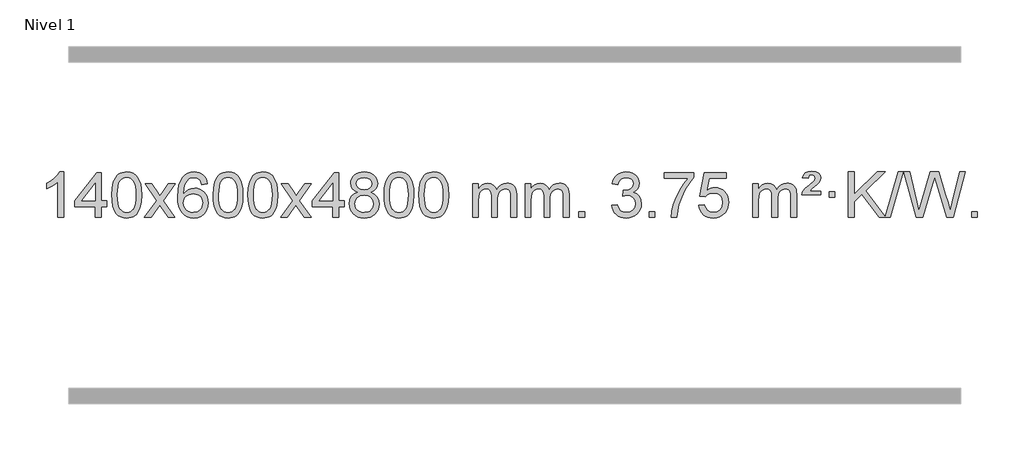
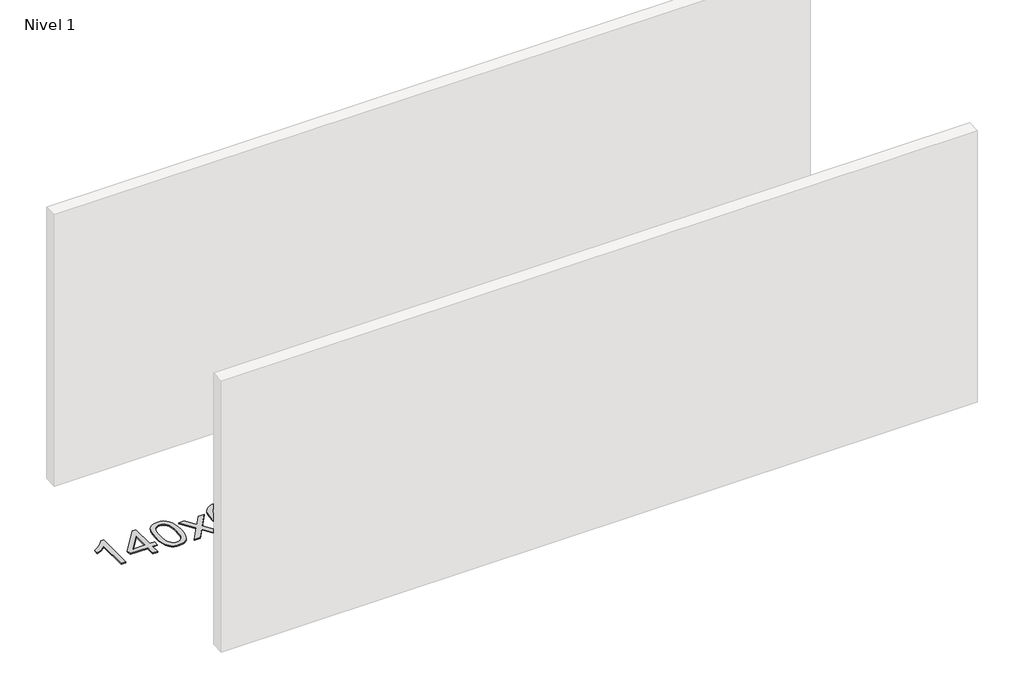
# One storey, part 11 of 25: 1 proxy.
"""IFC4 building model written with IfcOpenShell, lengths in millimetres."""

from ifc_helpers import new_model, si_unit, origin, origin_with_axes, place, context, project, spatial, polyline, outline, extrude, element, save

model = new_model("IFC4")

# Units and contexts
model_context = context("Model", 3, world=origin())
ifc_project = project(units=[si_unit("LENGTHUNIT", "METRE", prefix="MILLI")], contexts=[model_context])

# Site, building, storey
site = spatial("IfcSite", under=ifc_project)
building = spatial("IfcBuilding", under=site)
storey = spatial("IfcBuildingStorey", under=building, Name="Nivel 1", Elevation=0.0)

# Proxy
placement = place(None, origin())
element("IfcBuildingElementProxy", 1, Name="Texto de modelo 1", ObjectType="Texto de modelo 1", at=placement, inside=storey, context=model_context, shape_type="SweptSolid", body=[
    extrude(outline(polyline([(-275.4615788, -36755.579453), (-325.6897338, -36755.579453), (-325.6897338, -36442.4382987), (-346.6590076, -36459.3976587), (-373.2691385, -36476.3324932), (-426.146044, -36501.6918254), (-426.146044, -36454.2105225), (-386.6968314, -36432.7507395), (-352.520594, -36407.219729), (-325.5793692, -36380.0700378), (-307.8351943, -36353.7542124), (-275.4615788, -36353.7542124), (-275.4615788, -36755.579453)])), origin_with_axes(), (0.0, 0.0, 1.0), 10.0),
    extrude(outline(polyline([(7.0717935, -36755.579453), (7.0717935, -36661.4016622), (-175.0052686, -36661.4016622), (-175.0052686, -36611.1735072), (19.6288323, -36360.0327318), (57.2999486, -36360.0327318), (57.2999486, -36611.1735072), (107.5281037, -36611.1735072), (107.5281037, -36661.4016622), (57.2999486, -36661.4016622), (57.2999486, -36755.579453), (7.0717935, -36755.579453)]), holes=[polyline([(7.0717935, -36611.1735072), (7.0717935, -36455.9763561), (-113.2010934, -36611.1735072), (7.0717935, -36611.1735072)])]), origin_with_axes(), (0.0, 0.0, 1.0), 10.0),
    extrude(outline(polyline([(151.4777394, -36557.9041943), (155.1688221, -36493.5861588), (166.2420701, -36442.2911459), (184.5871189, -36403.2343407), (196.4451819, -36388.0009605), (210.0936039, -36375.6309284), (225.5783702, -36366.0598651), (242.9454661, -36359.2233914), (283.3266464, -36353.7542124), (314.277785, -36356.991574), (341.9915619, -36366.7036586), (365.1681276, -36382.5103217), (382.5076323, -36404.0314184), (395.6042314, -36431.0830078), (406.05208, -36463.4811488), (412.8946851, -36504.6226186), (415.1755535, -36557.9041943), (411.521259, -36621.8543477), (400.5583756, -36673.0267333), (382.3236913, -36712.1203266), (370.4932195, -36727.3996922), (356.8539945, -36739.8341036), (341.3508341, -36749.4695462), (323.928556, -36756.3520052), (283.3266464, -36761.8579724), (255.6619204, -36759.4667394), (231.1364541, -36752.2930405), (209.7502474, -36740.3368757), (191.5033004, -36723.5982449), (173.9921175, -36693.3399508), (161.4841296, -36655.6381776), (153.9793369, -36610.4929255), (151.4777394, -36557.9041943)]), holes=[polyline([(201.7058944, -36557.8060924), (203.1774224, -36601.4706195), (207.5920064, -36636.8148822), (214.9496463, -36663.8388804), (225.2503421, -36682.5426142), (237.709279, -36695.2682656), (251.5416421, -36704.3580165), (266.7474312, -36709.8118671), (283.3266464, -36711.6298173), (299.9058617, -36709.8057357), (315.1116508, -36704.3334911), (328.9440138, -36695.2130833), (341.4029507, -36682.4445124), (351.7036466, -36663.7101217), (359.0612865, -36636.6922549), (363.4758705, -36601.3909118), (364.9473984, -36557.8060924), (363.5249214, -36515.2973278), (359.2574902, -36480.5753989), (352.145105, -36453.6403055), (342.1877657, -36434.4920476), (329.9372952, -36421.1440625), (315.9455167, -36411.6097875), (300.21243, -36405.8892225), (282.7380352, -36403.9823675), (266.2446591, -36405.6623619), (251.2963874, -36410.7023452), (237.89322, -36419.1023175), (226.0351571, -36430.8622786), (215.3911047, -36451.708925), (207.7882101, -36479.8151094), (203.2264734, -36515.1808319), (201.7058944, -36557.8060924)])]), origin_with_axes(), (0.0, 0.0, 1.0), 10.0),
    extrude(outline(polyline([(440.2896311, -36755.579453), (547.6130718, -36607.1513307), (446.5681504, -36460.4890419), (506.8026958, -36460.4890419), (555.5593229, -36531.2204869), (578.4170575, -36564.4770192), (598.2336343, -36537.2047007), (653.7592901, -36460.4890419), (714.1900392, -36460.4890419), (608.0438209, -36607.2494325), (710.2659646, -36755.579453), (649.9333174, -36755.579453), (588.3253459, -36666.3067555), (577.1417333, -36649.923744), (500.7203801, -36755.579453), (440.2896311, -36755.579453)])), origin_with_axes(), (0.0, 0.0, 1.0), 10.0),
    extrude(outline(polyline([(999.0778563, -36460.4890419), (948.8497012, -36466.7675613), (940.7562973, -36441.874213), (929.8179393, -36424.8780648), (907.0337811, -36409.2062918), (879.4916824, -36403.9823675), (856.1434384, -36407.0235253), (834.1686206, -36416.1469988), (815.2962742, -36435.3627017), (799.8820186, -36461.8134171), (789.4709581, -36499.227016), (785.6081972, -36551.3313693), (805.7558678, -36527.8237098), (829.9011894, -36511.2567573), (856.6952614, -36501.434308), (884.7891831, -36498.1601582), (908.922242, -36500.398107), (931.1913654, -36507.1119534), (951.5965534, -36518.3016975), (970.137806, -36533.9673391), (985.5459302, -36553.1769106), (996.5517332, -36574.9984443), (1003.155215, -36599.4319401), (1005.3563756, -36626.4773982), (1001.2115718, -36662.4439945), (988.7771604, -36695.786366), (969.0832109, -36724.0642287), (943.159793, -36744.8372987), (912.184129, -36757.602804), (877.3334413, -36761.8579724), (847.3909126, -36759.0375437), (820.3485203, -36750.5762579), (796.2062643, -36736.4741147), (774.9641448, -36716.7311143), (757.6460999, -36690.5133908), (745.2760678, -36656.9870783), (737.8540485, -36616.1521768), (735.3800421, -36568.0086864), (738.1268943, -36514.0342663), (746.367451, -36467.9693092), (760.1017122, -36429.8138149), (779.3296778, -36399.5677835), (800.1701928, -36379.5243462), (824.3339085, -36365.2076052), (851.820825, -36356.6175606), (882.6309421, -36353.7542124), (905.7645882, -36355.5261773), (926.7032051, -36360.8420722), (945.4467927, -36369.7018969), (961.9953511, -36382.1056515), (975.9012906, -36397.6364031), (986.7170212, -36415.8772186), (994.4425431, -36436.8280983), (999.0778563, -36460.4890419)]), holes=[polyline([(785.6081972, -36625.6925832), (788.514465, -36647.9494439), (797.2332682, -36669.2007605), (810.7713257, -36687.472233), (828.1353558, -36700.7895612), (849.0923668, -36708.9197533), (873.4093667, -36711.6298173), (906.5555345, -36706.0134855), (920.4706709, -36698.9930708), (932.6138425, -36689.1644901), (942.4638829, -36676.9262824), (949.499626, -36662.6769865), (955.1282206, -36628.1451299), (949.5732024, -36594.9989621), (942.6294298, -36581.3781312), (932.9081481, -36569.725469), (920.7281883, -36560.3904634), (906.4083817, -36553.7226022), (871.3492275, -36548.3883133), (838.2521107, -36553.7226022), (810.5751219, -36569.725469), (799.6520924, -36581.2248471), (791.8499284, -36594.3858254), (787.16863, -36609.2084042), (785.6081972, -36625.6925832)])]), origin_with_axes(), (0.0, 0.0, 1.0), 10.0),
    extrude(outline(polyline([(1049.3060113, -36557.9041943), (1052.997094, -36493.5861588), (1064.0703421, -36442.2911459), (1082.4153909, -36403.2343407), (1094.2734539, -36388.0009605), (1107.9218759, -36375.6309284), (1123.4066422, -36366.0598651), (1140.7737381, -36359.2233914), (1181.1549184, -36353.7542124), (1212.1060569, -36356.991574), (1239.8198339, -36366.7036586), (1262.9963996, -36382.5103217), (1280.3359043, -36404.0314184), (1293.4325033, -36431.0830078), (1303.880352, -36463.4811488), (1310.7229571, -36504.6226186), (1313.0038255, -36557.9041943), (1309.349531, -36621.8543477), (1298.3866475, -36673.0267333), (1280.1519633, -36712.1203266), (1268.3214915, -36727.3996922), (1254.6822665, -36739.8341036), (1239.1791061, -36749.4695462), (1221.7568279, -36756.3520052), (1181.1549184, -36761.8579724), (1153.4901924, -36759.4667394), (1128.964726, -36752.2930405), (1107.5785194, -36740.3368757), (1089.3315724, -36723.5982449), (1071.8203894, -36693.3399508), (1059.3124016, -36655.6381776), (1051.8076089, -36610.4929255), (1049.3060113, -36557.9041943)]), holes=[polyline([(1099.5341664, -36557.8060924), (1101.0056944, -36601.4706195), (1105.4202783, -36636.8148822), (1112.7779182, -36663.8388804), (1123.0786141, -36682.5426142), (1135.537551, -36695.2682656), (1149.369914, -36704.3580165), (1164.5757032, -36709.8118671), (1181.1549184, -36711.6298173), (1197.7341337, -36709.8057357), (1212.9399228, -36704.3334911), (1226.7722858, -36695.2130833), (1239.2312227, -36682.4445124), (1249.5319186, -36663.7101217), (1256.8895585, -36636.6922549), (1261.3041424, -36601.3909118), (1262.7756704, -36557.8060924), (1261.3531934, -36515.2973278), (1257.0857622, -36480.5753989), (1249.973377, -36453.6403055), (1240.0160376, -36434.4920476), (1227.7655672, -36421.1440625), (1213.7737886, -36411.6097875), (1198.040702, -36405.8892225), (1180.5663072, -36403.9823675), (1164.0729311, -36405.6623619), (1149.1246594, -36410.7023452), (1135.721492, -36419.1023175), (1123.863429, -36430.8622786), (1113.2193766, -36451.708925), (1105.6164821, -36479.8151094), (1101.0547453, -36515.1808319), (1099.5341664, -36557.8060924)])]), origin_with_axes(), (0.0, 0.0, 1.0), 10.0),
    extrude(outline(polyline([(1356.9534612, -36557.9041943), (1360.6445439, -36493.5861588), (1371.7177919, -36442.2911459), (1390.0628407, -36403.2343407), (1401.9209037, -36388.0009605), (1415.5693257, -36375.6309284), (1431.054092, -36366.0598651), (1448.4211879, -36359.2233914), (1488.8023682, -36353.7542124), (1519.7535068, -36356.991574), (1547.4672837, -36366.7036586), (1570.6438494, -36382.5103217), (1587.9833541, -36404.0314184), (1601.0799532, -36431.0830078), (1611.5278018, -36463.4811488), (1618.3704069, -36504.6226186), (1620.6512753, -36557.9041943), (1616.9969808, -36621.8543477), (1606.0340974, -36673.0267333), (1587.7994131, -36712.1203266), (1575.9689413, -36727.3996922), (1562.3297163, -36739.8341036), (1546.8265559, -36749.4695462), (1529.4042778, -36756.3520052), (1488.8023682, -36761.8579724), (1461.1376422, -36759.4667394), (1436.6121759, -36752.2930405), (1415.2259692, -36740.3368757), (1396.9790222, -36723.5982449), (1379.4678393, -36693.3399508), (1366.9598514, -36655.6381776), (1359.4550587, -36610.4929255), (1356.9534612, -36557.9041943)]), holes=[polyline([(1407.1816162, -36557.8060924), (1408.6531442, -36601.4706195), (1413.0677282, -36636.8148822), (1420.4253681, -36663.8388804), (1430.7260639, -36682.5426142), (1443.1850008, -36695.2682656), (1457.0173639, -36704.3580165), (1472.223153, -36709.8118671), (1488.8023682, -36711.6298173), (1505.3815835, -36709.8057357), (1520.5873726, -36704.3334911), (1534.4197356, -36695.2130833), (1546.8786725, -36682.4445124), (1557.1793684, -36663.7101217), (1564.5370083, -36636.6922549), (1568.9515923, -36601.3909118), (1570.4231202, -36557.8060924), (1569.0006432, -36515.2973278), (1564.733212, -36480.5753989), (1557.6208268, -36453.6403055), (1547.6634875, -36434.4920476), (1535.413017, -36421.1440625), (1521.4212385, -36411.6097875), (1505.6881518, -36405.8892225), (1488.213757, -36403.9823675), (1471.7203809, -36405.6623619), (1456.7721092, -36410.7023452), (1443.3689418, -36419.1023175), (1431.5108789, -36430.8622786), (1420.8668265, -36451.708925), (1413.2639319, -36479.8151094), (1408.7021952, -36515.1808319), (1407.1816162, -36557.8060924)])]), origin_with_axes(), (0.0, 0.0, 1.0), 10.0),
    extrude(outline(polyline([(1645.7653528, -36755.579453), (1753.0887936, -36607.1513307), (1652.0438722, -36460.4890419), (1712.2784176, -36460.4890419), (1761.0350447, -36531.2204869), (1783.8927793, -36564.4770192), (1803.7093561, -36537.2047007), (1859.2350119, -36460.4890419), (1919.665761, -36460.4890419), (1813.5195426, -36607.2494325), (1915.7416864, -36755.579453), (1855.4090392, -36755.579453), (1793.8010677, -36666.3067555), (1782.6174551, -36649.923744), (1706.1961019, -36755.579453), (1645.7653528, -36755.579453)])), origin_with_axes(), (0.0, 0.0, 1.0), 10.0),
    extrude(outline(polyline([(2110.3757873, -36755.579453), (2110.3757873, -36661.4016622), (1928.2987251, -36661.4016622), (1928.2987251, -36611.1735072), (2122.9328261, -36360.0327318), (2160.6039424, -36360.0327318), (2160.6039424, -36611.1735072), (2210.8320974, -36611.1735072), (2210.8320974, -36661.4016622), (2160.6039424, -36661.4016622), (2160.6039424, -36755.579453), (2110.3757873, -36755.579453)]), holes=[polyline([(2110.3757873, -36611.1735072), (2110.3757873, -36455.9763561), (1990.1029003, -36611.1735072), (2110.3757873, -36611.1735072)])]), origin_with_axes(), (0.0, 0.0, 1.0), 10.0),
    extrude(outline(polyline([(2327.9657247, -36534.2616447), (2301.0735509, -36521.0178929), (2282.2012045, -36503.0652515), (2271.05438, -36480.7716026), (2267.3387719, -36454.5048281), (2269.3621229, -36434.0199324), (2275.4321758, -36415.2395565), (2285.5489307, -36398.1637006), (2299.7123875, -36382.7923645), (2317.2419645, -36370.088173), (2337.4570802, -36361.0137504), (2360.3577344, -36355.5690969), (2385.9439271, -36353.7542124), (2411.6527472, -36355.6120165), (2434.7250797, -36361.1854287), (2455.1609245, -36370.4744491), (2472.9602817, -36383.4790776), (2487.3812559, -36399.1508506), (2497.6819518, -36416.4413044), (2503.8623693, -36435.3504389), (2505.9225085, -36455.8782543), (2502.2559513, -36481.2989001), (2491.2562796, -36503.2124043), (2472.8008662, -36521.0546811), (2446.7670837, -36534.2616447), (2477.681434, -36550.1909351), (2500.1835494, -36573.6495436), (2513.9055478, -36603.5092989), (2518.4795473, -36638.6420295), (2516.2109416, -36663.6947933), (2509.4051247, -36686.6628926), (2498.0620965, -36707.5463272), (2482.1818571, -36726.3450971), (2462.5982722, -36741.88198), (2440.1452078, -36752.9797536), (2414.8226638, -36759.6384177), (2386.6306402, -36761.8579724), (2358.4386166, -36759.6292206), (2333.1160726, -36752.9429654), (2310.6630082, -36741.7992066), (2291.0794233, -36726.1979443), (2275.1991839, -36707.26735), (2263.8561557, -36686.135595), (2257.0503388, -36662.8026795), (2254.7817331, -36637.2686033), (2259.5396736, -36600.7747094), (2273.813495, -36570.7555386), (2296.8674334, -36548.2411605), (2327.9657247, -36534.2616447)]), holes=[polyline([(2305.0098882, -36635.5027698), (2307.1068156, -36654.7184726), (2313.3975977, -36673.3210389), (2325.010406, -36689.5446349), (2343.073412, -36701.623427), (2364.7048733, -36709.1282197), (2387.0230477, -36711.6298173), (2421.2115477, -36706.3691048), (2435.1052244, -36699.7932141), (2446.8651855, -36690.5869672), (2462.9048405, -36666.6869002), (2468.2513922, -36637.0723996), (2462.7331623, -36606.9551269), (2446.1784725, -36582.5277625), (2434.0996803, -36573.0854579), (2419.9362235, -36566.3409547), (2385.3553159, -36560.9453521), (2351.6450625, -36566.2673783), (2337.9077356, -36572.919911), (2326.2489421, -36582.2334569), (2310.3196517, -36606.1948375), (2305.0098882, -36635.5027698)]), polyline([(2317.566927, -36455.9763561), (2322.0182991, -36477.902123), (2335.3724155, -36495.413306), (2357.2368688, -36506.8912243), (2387.2192514, -36510.717197), (2416.5026582, -36506.9157497), (2438.0360177, -36495.5114079), (2451.2797695, -36478.5888361), (2455.6943534, -36458.232699), (2451.1326167, -36437.1040098), (2437.4474065, -36419.629615), (2415.6197414, -36407.8941794), (2386.6306402, -36403.9823675), (2357.457598, -36407.8083402), (2335.6667211, -36419.2862585), (2322.0918755, -36436.1107284), (2317.566927, -36455.9763561)])]), origin_with_axes(), (0.0, 0.0, 1.0), 10.0),
    extrude(outline(polyline([(2562.429183, -36557.9041943), (2566.1202656, -36493.5861588), (2577.1935137, -36442.2911459), (2595.5385625, -36403.2343407), (2607.3966255, -36388.0009605), (2621.0450475, -36375.6309284), (2636.5298138, -36366.0598651), (2653.8969097, -36359.2233914), (2694.27809, -36353.7542124), (2725.2292286, -36356.991574), (2752.9430055, -36366.7036586), (2776.1195712, -36382.5103217), (2793.4590759, -36404.0314184), (2806.555675, -36431.0830078), (2817.0035236, -36463.4811488), (2823.8461287, -36504.6226186), (2826.1269971, -36557.9041943), (2822.4727026, -36621.8543477), (2811.5098192, -36673.0267333), (2793.2751349, -36712.1203266), (2781.4446631, -36727.3996922), (2767.8054381, -36739.8341036), (2752.3022777, -36749.4695462), (2734.8799996, -36756.3520052), (2694.27809, -36761.8579724), (2666.613364, -36759.4667394), (2642.0878976, -36752.2930405), (2620.701691, -36740.3368757), (2602.454744, -36723.5982449), (2584.9435611, -36693.3399508), (2572.4355732, -36655.6381776), (2564.9307805, -36610.4929255), (2562.429183, -36557.9041943)]), holes=[polyline([(2612.657338, -36557.8060924), (2614.128866, -36601.4706195), (2618.54345, -36636.8148822), (2625.9010899, -36663.8388804), (2636.2017857, -36682.5426142), (2648.6607226, -36695.2682656), (2662.4930856, -36704.3580165), (2677.6988748, -36709.8118671), (2694.27809, -36711.6298173), (2710.8573053, -36709.8057357), (2726.0630944, -36704.3334911), (2739.8954574, -36695.2130833), (2752.3543943, -36682.4445124), (2762.6550902, -36663.7101217), (2770.0127301, -36636.6922549), (2774.427314, -36601.3909118), (2775.898842, -36557.8060924), (2774.476365, -36515.2973278), (2770.2089338, -36480.5753989), (2763.0965486, -36453.6403055), (2753.1392093, -36434.4920476), (2740.8887388, -36421.1440625), (2726.8969603, -36411.6097875), (2711.1638736, -36405.8892225), (2693.6894788, -36403.9823675), (2677.1961027, -36405.6623619), (2662.247831, -36410.7023452), (2648.8446636, -36419.1023175), (2636.9866007, -36430.8622786), (2626.3425483, -36451.708925), (2618.7396537, -36479.8151094), (2614.1779169, -36515.1808319), (2612.657338, -36557.8060924)])]), origin_with_axes(), (0.0, 0.0, 1.0), 10.0),
    extrude(outline(polyline([(2870.0766328, -36557.9041943), (2873.7677155, -36493.5861588), (2884.8409635, -36442.2911459), (2903.1860124, -36403.2343407), (2915.0440753, -36388.0009605), (2928.6924974, -36375.6309284), (2944.1772637, -36366.0598651), (2961.5443595, -36359.2233914), (3001.9255399, -36353.7542124), (3032.8766784, -36356.991574), (3060.5904554, -36366.7036586), (3083.7670211, -36382.5103217), (3101.1065258, -36404.0314184), (3114.2031248, -36431.0830078), (3124.6509735, -36463.4811488), (3131.4935786, -36504.6226186), (3133.7744469, -36557.9041943), (3130.1201525, -36621.8543477), (3119.157269, -36673.0267333), (3100.9225848, -36712.1203266), (3089.0921129, -36727.3996922), (3075.452888, -36739.8341036), (3059.9497276, -36749.4695462), (3042.5274494, -36756.3520052), (3001.9255399, -36761.8579724), (2974.2608138, -36759.4667394), (2949.7353475, -36752.2930405), (2928.3491408, -36740.3368757), (2910.1021939, -36723.5982449), (2892.5910109, -36693.3399508), (2880.0830231, -36655.6381776), (2872.5782304, -36610.4929255), (2870.0766328, -36557.9041943)]), holes=[polyline([(2920.3047879, -36557.8060924), (2921.7763158, -36601.4706195), (2926.1908998, -36636.8148822), (2933.5485397, -36663.8388804), (2943.8492356, -36682.5426142), (2956.3081725, -36695.2682656), (2970.1405355, -36704.3580165), (2985.3463246, -36709.8118671), (3001.9255399, -36711.6298173), (3018.5047551, -36709.8057357), (3033.7105442, -36704.3334911), (3047.5429073, -36695.2130833), (3060.0018442, -36682.4445124), (3070.30254, -36663.7101217), (3077.6601799, -36636.6922549), (3082.0747639, -36601.3909118), (3083.5462919, -36557.8060924), (3082.1238148, -36515.2973278), (3077.8563837, -36480.5753989), (3070.7439984, -36453.6403055), (3060.7866591, -36434.4920476), (3048.5361887, -36421.1440625), (3034.5444101, -36411.6097875), (3018.8113234, -36405.8892225), (3001.3369287, -36403.9823675), (2984.8435526, -36405.6623619), (2969.8952808, -36410.7023452), (2956.4921135, -36419.1023175), (2944.6340505, -36430.8622786), (2933.9899981, -36451.708925), (2926.3871035, -36479.8151094), (2921.8253668, -36515.1808319), (2920.3047879, -36557.8060924)])]), origin_with_axes(), (0.0, 0.0, 1.0), 10.0),
    extrude(outline(polyline([(3347.244106, -36755.579453), (3347.244106, -36460.4890419), (3397.4722611, -36460.4890419), (3397.4722611, -36509.0494653), (3412.5799483, -36486.7435537), (3432.0041177, -36469.2691589), (3455.0825815, -36457.9751816), (3481.1531522, -36454.2105225), (3509.0876584, -36458.048758), (3531.4794092, -36469.5634645), (3548.2057772, -36487.9943524), (3559.1441352, -36512.5811324), (3577.4523959, -36487.0439906), (3598.3358304, -36468.803175), (3621.794439, -36457.8586857), (3647.8282215, -36454.2105225), (3667.9360383, -36455.7280358), (3685.585177, -36460.2805755), (3700.7756377, -36467.8681416), (3713.5074204, -36478.4907342), (3723.5720587, -36492.2709806), (3730.761086, -36509.3315082), (3735.0745024, -36529.6723168), (3736.5123078, -36553.2934066), (3736.5123078, -36755.579453), (3686.2841528, -36755.579453), (3686.2841528, -36574.875817), (3685.1191931, -36549.8230531), (3681.6243142, -36532.9372695), (3675.0760146, -36521.3735121), (3664.7507933, -36512.2868268), (3651.4702533, -36506.4007149), (3636.0559977, -36504.4386776), (3608.8449928, -36509.4663982), (3586.6617085, -36524.54956), (3578.0563355, -36536.1194488), (3571.9096405, -36550.7182326), (3566.9922845, -36589.0024856), (3566.9922845, -36755.579453), (3516.7641294, -36755.579453), (3516.7641294, -36569.2840106), (3513.8578616, -36540.8835206), (3505.1390583, -36520.6254854), (3489.7983791, -36508.4853796), (3467.0264836, -36504.4386776), (3447.6758907, -36507.1364789), (3429.8458767, -36515.2298828), (3415.1305968, -36528.5226856), (3405.1242066, -36546.8186835), (3399.3852475, -36572.2025411), (3397.4722611, -36606.7589232), (3397.4722611, -36755.579453), (3347.244106, -36755.579453)])), origin_with_axes(), (0.0, 0.0, 1.0), 10.0),
    extrude(outline(polyline([(3811.8545404, -36755.579453), (3811.8545404, -36460.4890419), (3862.0826955, -36460.4890419), (3862.0826955, -36509.0494653), (3877.1903828, -36486.7435537), (3896.6145521, -36469.2691589), (3919.693016, -36457.9751816), (3945.7635867, -36454.2105225), (3973.6980929, -36458.048758), (3996.0898436, -36469.5634645), (4012.8162117, -36487.9943524), (4023.7545697, -36512.5811324), (4042.0628303, -36487.0439906), (4062.9462649, -36468.803175), (4086.4048734, -36457.8586857), (4112.438656, -36454.2105225), (4132.5464727, -36455.7280358), (4150.1956114, -36460.2805755), (4165.3860721, -36467.8681416), (4178.1178548, -36478.4907342), (4188.1824931, -36492.2709806), (4195.3715204, -36509.3315082), (4199.6849368, -36529.6723168), (4201.1227423, -36553.2934066), (4201.1227423, -36755.579453), (4150.8945872, -36755.579453), (4150.8945872, -36574.875817), (4149.7296276, -36549.8230531), (4146.2347486, -36532.9372695), (4139.6864491, -36521.3735121), (4129.3612278, -36512.2868268), (4116.0806877, -36506.4007149), (4100.6664321, -36504.4386776), (4073.4554272, -36509.4663982), (4051.2721429, -36524.54956), (4042.6667699, -36536.1194488), (4036.5200749, -36550.7182326), (4031.6027189, -36589.0024856), (4031.6027189, -36755.579453), (3981.3745638, -36755.579453), (3981.3745638, -36569.2840106), (3978.4682961, -36540.8835206), (3969.7494928, -36520.6254854), (3954.4088136, -36508.4853796), (3931.6369181, -36504.4386776), (3912.2863251, -36507.1364789), (3894.4563111, -36515.2298828), (3879.7410313, -36528.5226856), (3869.734641, -36546.8186835), (3863.9956819, -36572.2025411), (3862.0826955, -36606.7589232), (3862.0826955, -36755.579453), (3811.8545404, -36755.579453)])), origin_with_axes(), (0.0, 0.0, 1.0), 10.0),
    extrude(outline(polyline([(4289.0220137, -36755.579453), (4289.0220137, -36705.3512979), (4339.2501687, -36705.3512979), (4339.2501687, -36755.579453), (4289.0220137, -36755.579453)])), origin_with_axes(), (0.0, 0.0, 1.0), 10.0),
    extrude(outline(polyline([(4577.8339053, -36648.8446235), (4628.0620604, -36642.5661041), (4639.3069867, -36674.1303793), (4655.7758374, -36695.4430095), (4678.2779528, -36707.5831154), (4707.6226732, -36711.6298173), (4742.056428, -36706.0625364), (4756.3302494, -36699.1034354), (4768.6420335, -36689.3606939), (4785.6381817, -36664.4428201), (4791.3035644, -36634.2274455), (4785.6872326, -36605.5449126), (4768.8382372, -36582.2825078), (4743.3317522, -36566.8682522), (4711.7429516, -36561.730167), (4676.5243819, -36567.2238715), (4682.1161882, -36516.9957164), (4690.1605412, -36517.5843276), (4720.2532884, -36513.979084), (4747.157725, -36503.1633534), (4758.230973, -36494.9841103), (4766.1404359, -36484.8673555), (4770.8861137, -36472.8130888), (4772.4680063, -36458.8213102), (4767.881744, -36437.1285352), (4754.1229574, -36419.5315131), (4733.1291582, -36407.8696539), (4706.8378583, -36403.9823675), (4680.4975075, -36407.9064421), (4658.964148, -36419.6786659), (4643.2433241, -36439.299039), (4634.3405798, -36466.7675613), (4584.1124247, -36460.4890419), (4590.0659817, -36436.5092672), (4598.9012809, -36415.3867093), (4610.6183225, -36397.1213683), (4625.2171063, -36381.713244), (4642.23778, -36369.4811677), (4661.2204909, -36360.7439703), (4682.1652392, -36355.5016519), (4705.0720247, -36353.7542124), (4736.6485627, -36357.2000404), (4765.6499266, -36367.5375245), (4790.1018166, -36383.8469596), (4808.0299325, -36405.2086408), (4819.0296041, -36429.8199463), (4822.6961613, -36455.8782543), (4819.2135451, -36480.1584659), (4808.7656964, -36502.1823347), (4791.4997681, -36520.9443165), (4767.562913, -36535.4388671), (4799.0045608, -36548.1430586), (4822.3037539, -36569.77452), (4836.7247281, -36599.1560286), (4841.5317195, -36635.1103623), (4839.1282238, -36660.5923218), (4831.9177367, -36684.0631931), (4819.9002582, -36705.5229762), (4803.0757883, -36724.971671), (4782.5786298, -36741.1094278), (4759.5430855, -36752.636397), (4733.9691555, -36759.5525785), (4705.8568397, -36761.8579724), (4680.4484565, -36759.8898037), (4657.2964163, -36753.9852977), (4636.400719, -36744.1444543), (4617.7613645, -36730.3672736), (4602.1325111, -36713.4630959), (4590.2683168, -36694.2412617), (4582.1687815, -36672.7017708), (4577.8339053, -36648.8446235)])), origin_with_axes(), (0.0, 0.0, 1.0), 10.0),
    extrude(outline(polyline([(4910.5954327, -36755.579453), (4910.5954327, -36705.3512979), (4960.8235878, -36705.3512979), (4960.8235878, -36755.579453), (4910.5954327, -36755.579453)])), origin_with_axes(), (0.0, 0.0, 1.0), 10.0),
    extrude(outline(polyline([(5042.4443398, -36410.2608869), (5042.4443398, -36360.0327318), (5306.1421539, -36360.0327318), (5306.1421539, -36400.646904), (5268.5568767, -36448.214046), (5231.3394816, -36508.7061088), (5198.5121449, -36576.6048623), (5174.0970431, -36646.3920768), (5162.1286155, -36698.6067947), (5155.4576887, -36755.579453), (5105.2295336, -36755.579453), (5110.6619244, -36703.8061935), (5125.1932632, -36642.2717985), (5148.4311426, -36577.0463207), (5179.983155, -36514.1998132), (5216.8204055, -36457.3865704), (5255.9139988, -36410.2608869), (5042.4443398, -36410.2608869)])), origin_with_axes(), (0.0, 0.0, 1.0), 10.0),
    extrude(outline(polyline([(5350.0917896, -36648.8446235), (5400.3199447, -36642.5661041), (5409.54152, -36672.7201649), (5425.630226, -36694.3148381), (5448.5124861, -36707.3010725), (5478.1147239, -36711.6298173), (5497.2445877, -36710.1245668), (5514.1181085, -36705.6088153), (5528.7352865, -36698.0825628), (5541.0961215, -36687.5458094), (5550.9247021, -36674.519721), (5557.9451169, -36659.5254641), (5563.5614487, -36623.6324441), (5558.3007361, -36589.8363514), (5551.7248455, -36575.9181493), (5542.5185986, -36563.9865099), (5530.6513385, -36554.4154467), (5516.0924086, -36547.5789729), (5478.8995389, -36542.1097939), (5454.533488, -36544.2925604), (5434.8027504, -36550.8408599), (5419.0451382, -36560.8717757), (5406.5984641, -36573.5023908), (5356.370309, -36567.2238715), (5400.3199447, -36360.0327318), (5594.9540456, -36360.0327318), (5594.9540456, -36410.2608869), (5440.934117, -36410.2608869), (5419.3517066, -36520.919791), (5437.0774874, -36508.2155994), (5455.2324638, -36499.1411769), (5473.816636, -36493.6965234), (5492.8300037, -36491.8816388), (5517.2941564, -36494.1318504), (5539.7717463, -36500.882485), (5560.2627735, -36512.1335427), (5578.7672378, -36527.8850234), (5594.0895229, -36547.1743027), (5605.0340123, -36569.038756), (5611.6007059, -36593.4783832), (5613.7896038, -36620.4931844), (5611.8214351, -36646.5147042), (5605.9169291, -36670.7213394), (5596.0760857, -36693.1130902), (5582.298905, -36713.6899565), (5561.4277331, -36734.7634634), (5537.073945, -36749.8159684), (5509.2375407, -36758.8474714), (5477.9185202, -36761.8579724), (5451.998168, -36759.9235262), (5428.5855447, -36754.1201877), (5407.6806503, -36744.447957), (5389.2834848, -36730.9068338), (5373.9765281, -36714.1712688), (5362.3422601, -36694.915712), (5354.3806805, -36673.1401636), (5350.0917896, -36648.8446235)])), origin_with_axes(), (0.0, 0.0, 1.0), 10.0),
    extrude(outline(polyline([(5827.2592628, -36755.579453), (5827.2592628, -36460.4890419), (5877.4874179, -36460.4890419), (5877.4874179, -36509.0494653), (5892.5951052, -36486.7435537), (5912.0192745, -36469.2691589), (5935.0977383, -36457.9751816), (5961.1683091, -36454.2105225), (5989.1028152, -36458.048758), (6011.494566, -36469.5634645), (6028.2209341, -36487.9943524), (6039.159292, -36512.5811324), (6057.4675527, -36487.0439906), (6078.3509873, -36468.803175), (6101.8095958, -36457.8586857), (6127.8433783, -36454.2105225), (6147.9511951, -36455.7280358), (6165.6003338, -36460.2805755), (6180.7907945, -36467.8681416), (6193.5225772, -36478.4907342), (6203.5872155, -36492.2709806), (6210.7762428, -36509.3315082), (6215.0896592, -36529.6723168), (6216.5274647, -36553.2934066), (6216.5274647, -36755.579453), (6166.2993096, -36755.579453), (6166.2993096, -36574.875817), (6165.1343499, -36549.8230531), (6161.639471, -36532.9372695), (6155.0911715, -36521.3735121), (6144.7659501, -36512.2868268), (6131.4854101, -36506.4007149), (6116.0711545, -36504.4386776), (6088.8601496, -36509.4663982), (6066.6768653, -36524.54956), (6058.0714923, -36536.1194488), (6051.9247973, -36550.7182326), (6047.0074413, -36589.0024856), (6047.0074413, -36755.579453), (5996.7792862, -36755.579453), (5996.7792862, -36569.2840106), (5993.8730184, -36540.8835206), (5985.1542152, -36520.6254854), (5969.813536, -36508.4853796), (5947.0416405, -36504.4386776), (5927.6910475, -36507.1364789), (5909.8610335, -36515.2298828), (5895.1457537, -36528.5226856), (5885.1393634, -36546.8186835), (5879.4004043, -36572.2025411), (5877.4874179, -36606.7589232), (5877.4874179, -36755.579453), (5827.2592628, -36755.579453)])), origin_with_axes(), (0.0, 0.0, 1.0), 10.0),
    extrude(outline(polyline([(6260.4771003, -36554.6668327), (6264.3030731, -36538.8479069), (6272.6417317, -36522.9799302), (6294.1505656, -36497.8413272), (6326.1072483, -36470.1030247), (6370.2530877, -36432.726214), (6377.3899984, -36421.1992448), (6379.7689686, -36409.3779701), (6377.8805077, -36397.2869152), (6372.215125, -36387.5012541), (6362.8463969, -36381.026531), (6349.8478997, -36378.8682899), (6337.4134883, -36380.4869707), (6328.5597949, -36385.343013), (6322.1341227, -36394.8098431), (6316.9837748, -36410.2608869), (6266.7556197, -36403.9823675), (6277.5958759, -36378.7701881), (6294.224142, -36361.2099542), (6317.9893189, -36350.9092583), (6350.2403072, -36347.475693), (6386.0229626, -36351.6082341), (6410.7691581, -36364.0058573), (6425.1901323, -36382.3386434), (6429.9971237, -36404.2766731), (6425.9013708, -36427.1834586), (6413.6141122, -36448.8149199), (6393.0862969, -36468.6314968), (6356.6169284, -36496.6886303), (6331.0123416, -36523.2742358), (6429.9971237, -36523.2742358), (6429.9971237, -36554.6668327), (6260.4771003, -36554.6668327)])), origin_with_axes(), (0.0, 0.0, 1.0), 10.0),
    extrude(outline(polyline([(6505.3393563, -36579.7809102), (6505.3393563, -36529.5527552), (6555.5675114, -36529.5527552), (6555.5675114, -36579.7809102), (6505.3393563, -36579.7809102)])), origin_with_axes(), (0.0, 0.0, 1.0), 10.0),
    extrude(outline(polyline([(6946.2091394, -36755.579453), (6792.67972, -36552.9009991), (6725.0875348, -36617.4520265), (6725.0875348, -36755.579453), (6674.8593797, -36755.579453), (6674.8593797, -36353.7542124), (6725.0875348, -36353.7542124), (6725.0875348, -36550.4484525), (6931.1014521, -36353.7542124), (7001.3423877, -36353.7542124), (6828.2906972, -36518.9577537), (7003.0417306, -36749.5373449), (7114.3557366, -36353.7542124), (7159.8750022, -36353.7542124), (7046.7635514, -36755.579453), (7007.6209071, -36755.579453), (7001.3423877, -36755.579453), (6946.2091394, -36755.579453)])), origin_with_axes(), (0.0, 0.0, 1.0), 10.0),
    extrude(outline(polyline([(7274.1636753, -36755.579453), (7164.5838917, -36353.7542124), (7216.3816766, -36353.7542124), (7279.9516854, -36617.844434), (7299.5720585, -36699.3670841), (7320.5658576, -36627.2622131), (7400.2245723, -36353.7542124), (7474.8800919, -36353.7542124), (7532.7601925, -36552.0180823), (7557.5554389, -36625.5944814), (7575.8269114, -36699.3670841), (7594.8586732, -36620.1988788), (7658.9191913, -36353.7542124), (7710.8150781, -36353.7542124), (7601.3333964, -36755.579453), (7547.5735741, -36755.579453), (7451.1394405, -36445.5775584), (7437.6994849, -36402.3146358), (7422.5917976, -36454.4067263), (7334.7906281, -36755.579453), (7274.1636753, -36755.579453)])), origin_with_axes(), (0.0, 0.0, 1.0), 10.0),
    extrude(outline(polyline([(7767.3217526, -36755.579453), (7767.3217526, -36705.3512979), (7817.5499077, -36705.3512979), (7817.5499077, -36755.579453), (7767.3217526, -36755.579453)])), origin_with_axes(), (0.0, 0.0, 1.0), 10.0),
])

save(model, "model.ifc")
